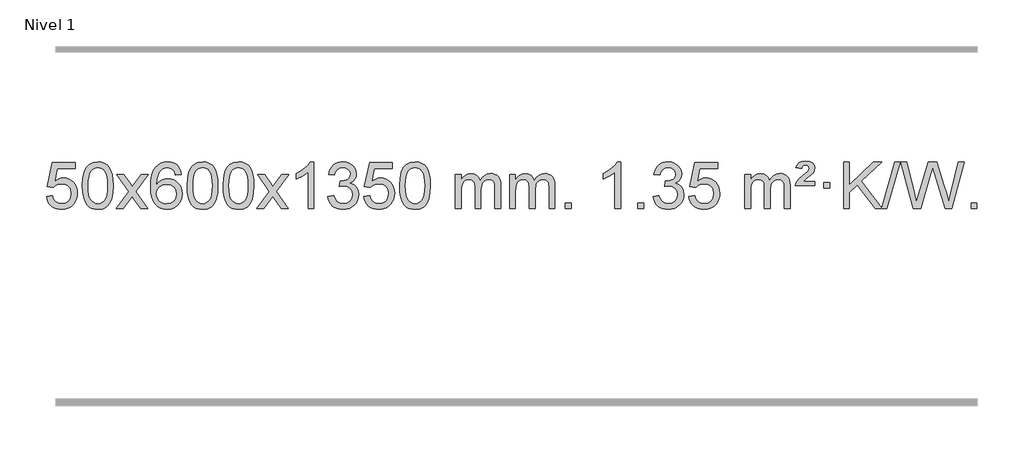
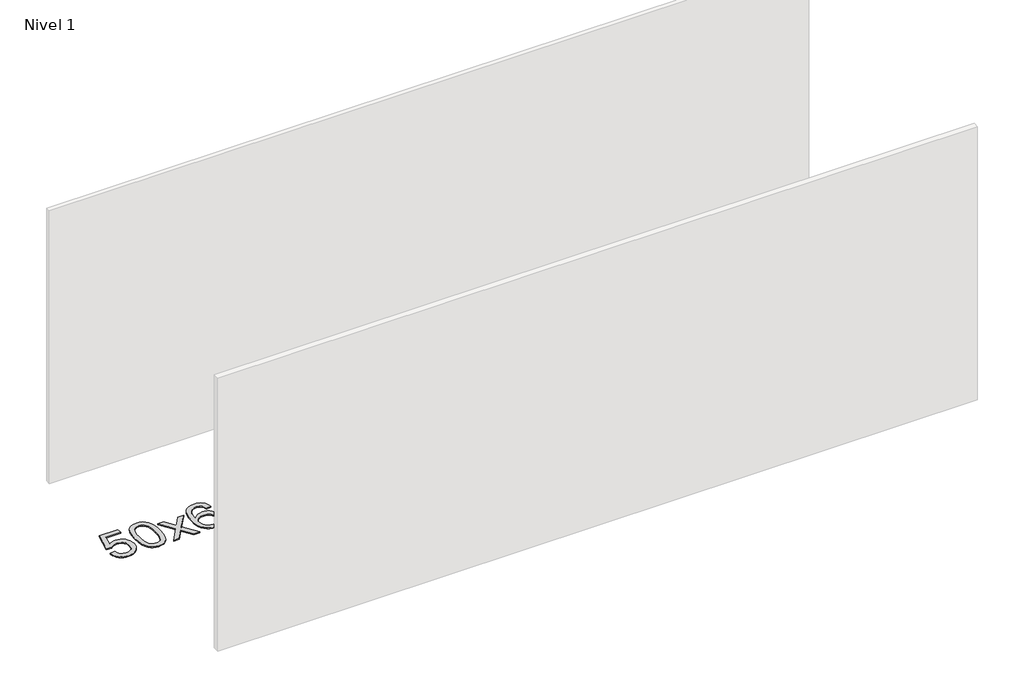
# One storey, part 19 of 21: 1 proxy.
"""IFC4 building model written with IfcOpenShell, lengths in millimetres."""

from ifc_helpers import new_model, si_unit, origin, origin_with_axes, place, context, project, spatial, polyline, outline, extrude, element, save

model = new_model("IFC4")

# Units and contexts
model_context = context("Model", 3, world=origin())
ifc_project = project(units=[si_unit("LENGTHUNIT", "METRE", prefix="MILLI")], contexts=[model_context])

# Site, building, storey
site = spatial("IfcSite", under=ifc_project)
building = spatial("IfcBuilding", under=site)
storey = spatial("IfcBuildingStorey", under=building, Name="Nivel 1", Elevation=0.0)

# Proxy
placement = place(None, origin())
element("IfcBuildingElementProxy", 1, Name="Texto de modelo 1", ObjectType="Texto de modelo 1", at=placement, inside=storey, context=model_context, shape_type="SweptSolid", body=[
    extrude(outline(polyline([(-309.9934354, -284.8446235), (-259.7652803, -278.5661041), (-250.543705, -308.7201649), (-234.454999, -330.3148381), (-211.5727389, -343.3010725), (-181.9705011, -347.6298173), (-162.8406373, -346.1245668), (-145.9671165, -341.6088153), (-131.3499385, -334.0825628), (-118.9891035, -323.5458094), (-109.1605228, -310.519721), (-102.1401081, -295.5254641), (-96.5237763, -259.6324441), (-101.7844888, -225.8363514), (-108.3603795, -211.9181493), (-117.5666264, -199.9865099), (-129.4338865, -190.4154467), (-143.9928164, -183.5789729), (-181.1856861, -178.1097939), (-205.5517369, -180.2925604), (-225.2824746, -186.8408599), (-241.0400868, -196.8717757), (-253.4867609, -209.5023908), (-303.714916, -203.2238715), (-259.7652803, 3.9672682), (-65.1311794, 3.9672682), (-65.1311794, -46.2608869), (-219.151108, -46.2608869), (-240.6354166, -156.919791), (-222.9096358, -144.2155994), (-204.7546593, -135.1411769), (-186.1704872, -129.6965234), (-167.1571194, -127.8816388), (-142.6960324, -130.1318504), (-120.2276395, -136.882485), (-99.7519408, -148.1335427), (-81.2689362, -163.8850234), (-65.9681109, -183.1743027), (-55.03895, -205.038756), (-48.4814534, -229.4783832), (-46.2956212, -256.4931844), (-48.2637899, -282.5147042), (-54.1682959, -306.7213394), (-64.0091393, -329.1130902), (-77.78632, -349.6899565), (-98.6574919, -370.7634634), (-123.01128, -385.8159684), (-150.8476843, -394.8474714), (-182.1667048, -397.8579724), (-208.087057, -395.9235262), (-231.4996803, -390.1201877), (-252.4045747, -380.447957), (-270.8017402, -366.9068338), (-286.1086968, -350.1712688), (-297.7429649, -330.915712), (-305.7045445, -309.1401636), (-309.9934354, -284.8446235)])), origin_with_axes(), (0.0, 0.0, 1.0), 10.0),
    extrude(outline(polyline([(-2.3459855, -193.9041943), (1.3450971, -129.5861588), (12.4183452, -78.2911459), (30.763394, -39.2343407), (42.621457, -24.0009605), (56.269879, -11.6309284), (71.7546453, -2.0598651), (89.1217412, 4.7766086), (129.5029215, 10.2457876), (160.4540601, 7.008426), (188.167837, -2.7036586), (211.3444027, -18.5103217), (228.6839074, -40.0314184), (241.7805065, -67.0830078), (252.2283551, -99.4811488), (259.0709602, -140.6226186), (261.3518286, -193.9041943), (257.6975341, -257.8543477), (246.7346507, -309.0267333), (228.4999664, -348.1203266), (216.6694946, -363.3996922), (203.0302696, -375.8341036), (187.5271092, -385.4695462), (170.1048311, -392.3520052), (129.5029215, -397.8579724), (101.8381955, -395.4667394), (77.3127291, -388.2930405), (55.9265225, -376.3368757), (37.6795755, -359.5982449), (20.1683926, -329.3399508), (7.6604047, -291.6381776), (0.155612, -246.4929255), (-2.3459855, -193.9041943)]), holes=[polyline([(47.8821695, -193.8060924), (49.3536975, -237.4706195), (53.7682815, -272.8148822), (61.1259214, -299.8388804), (71.4266172, -318.5426142), (83.8855541, -331.2682656), (97.7179171, -340.3580165), (112.9237063, -345.8118671), (129.5029215, -347.6298173), (146.0821368, -345.8057357), (161.2879259, -340.3334911), (175.1202889, -331.2130833), (187.5792258, -318.4445124), (197.8799217, -299.7101217), (205.2375616, -272.6922549), (209.6521455, -237.3909118), (211.1236735, -193.8060924), (209.7011965, -151.2973278), (205.4337653, -116.5753989), (198.3213801, -89.6403055), (188.3640408, -70.4920476), (176.1135703, -57.1440625), (162.1217918, -47.6097875), (146.3887051, -41.8892225), (128.9143103, -39.9823675), (112.4209342, -41.6623619), (97.4726625, -46.7023452), (84.0694951, -55.1023175), (72.2114321, -66.8622786), (61.5673797, -87.708925), (53.9644852, -115.8151094), (49.4027484, -151.1808319), (47.8821695, -193.8060924)])]), origin_with_axes(), (0.0, 0.0, 1.0), 10.0),
    extrude(outline(polyline([(286.4659061, -391.579453), (393.7893469, -243.2494325), (292.7444255, -96.4890419), (353.1751746, -96.4890419), (401.9318017, -167.122385), (424.6914345, -200.4770192), (444.4099094, -173.2047007), (499.9355652, -96.4890419), (560.3663143, -96.4890419), (454.2200959, -243.2494325), (556.4422397, -391.579453), (496.0114906, -391.579453), (434.501621, -302.4048574), (423.2199065, -286.1199477), (346.8966552, -391.579453), (286.4659061, -391.579453)])), origin_with_axes(), (0.0, 0.0, 1.0), 10.0),
    extrude(outline(polyline([(845.2541313, -96.4890419), (795.0259763, -102.7675613), (786.9325724, -77.874213), (775.9942144, -60.8780648), (753.2100561, -45.2062918), (725.6679574, -39.9823675), (702.3197135, -43.0235253), (680.3448956, -52.1469988), (661.4725493, -71.3627017), (646.0582937, -97.8134171), (635.6472332, -135.227016), (631.7844723, -187.3313693), (651.9321429, -163.8237098), (676.0774645, -147.2567573), (702.8715365, -137.434308), (730.9654582, -134.1601582), (755.0985171, -136.398107), (777.3676405, -143.1119534), (797.7728285, -154.3016975), (816.3140811, -169.9673391), (831.7222053, -189.1769106), (842.7280083, -210.9984443), (849.3314901, -235.4319401), (851.5326507, -262.4773982), (847.3878469, -298.4439945), (834.9534355, -331.786366), (815.259486, -360.0642287), (789.3360681, -380.8372987), (758.3604041, -393.602804), (723.5097164, -397.8579724), (693.5671877, -395.0375437), (666.5247954, -386.5762579), (642.3825394, -372.4741147), (621.1404199, -352.7311143), (603.822375, -326.5133908), (591.4523429, -292.9870783), (584.0303236, -252.1521768), (581.5563172, -204.0086864), (584.3031694, -150.0342663), (592.5437261, -103.9693092), (606.2779873, -65.8138149), (625.5059529, -35.5677835), (646.3464679, -15.5243462), (670.5101836, -1.2076052), (697.9971, 7.3824394), (728.8072171, 10.2457876), (751.9408633, 8.4738227), (772.8794802, 3.1579278), (791.6230678, -5.7018969), (808.1716262, -18.1056515), (822.0775656, -33.6364031), (832.8932963, -51.8772186), (840.6188182, -72.8280983), (845.2541313, -96.4890419)]), holes=[polyline([(631.7844723, -261.6925832), (634.69074, -283.9494439), (643.4095433, -305.2007605), (656.9476007, -323.472233), (674.3116309, -336.7895612), (695.2686419, -344.9197533), (719.5856418, -347.6298173), (752.7318096, -342.0134855), (766.646946, -334.9930708), (778.7901175, -325.1644901), (788.640158, -312.9262824), (795.6759011, -298.6769865), (801.3044957, -264.1451299), (795.7494775, -230.9989621), (788.8057049, -217.3781312), (779.0844231, -205.725469), (766.9044634, -196.3904634), (752.5846568, -189.7226022), (717.5255026, -184.3883133), (684.4283858, -189.7226022), (656.751397, -205.725469), (645.8283674, -217.2248471), (638.0262035, -230.3858254), (633.3449051, -245.2084042), (631.7844723, -261.6925832)])]), origin_with_axes(), (0.0, 0.0, 1.0), 10.0),
    extrude(outline(polyline([(895.4822864, -193.9041943), (899.1733691, -129.5861588), (910.2466172, -78.2911459), (928.591666, -39.2343407), (940.449729, -24.0009605), (954.098151, -11.6309284), (969.5829173, -2.0598651), (986.9500131, 4.7766086), (1027.3311935, 10.2457876), (1058.282332, 7.008426), (1085.996109, -2.7036586), (1109.1726747, -18.5103217), (1126.5121794, -40.0314184), (1139.6087784, -67.0830078), (1150.0566271, -99.4811488), (1156.8992322, -140.6226186), (1159.1801006, -193.9041943), (1155.5258061, -257.8543477), (1144.5629226, -309.0267333), (1126.3282384, -348.1203266), (1114.4977666, -363.3996922), (1100.8585416, -375.8341036), (1085.3553812, -385.4695462), (1067.933103, -392.3520052), (1027.3311935, -397.8579724), (999.6664674, -395.4667394), (975.1410011, -388.2930405), (953.7547945, -376.3368757), (935.5078475, -359.5982449), (917.9966645, -329.3399508), (905.4886767, -291.6381776), (897.983884, -246.4929255), (895.4822864, -193.9041943)]), holes=[polyline([(945.7104415, -193.8060924), (947.1819695, -237.4706195), (951.5965534, -272.8148822), (958.9541933, -299.8388804), (969.2548892, -318.5426142), (981.7138261, -331.2682656), (995.5461891, -340.3580165), (1010.7519782, -345.8118671), (1027.3311935, -347.6298173), (1043.9104087, -345.8057357), (1059.1161979, -340.3334911), (1072.9485609, -331.2130833), (1085.4074978, -318.4445124), (1095.7081937, -299.7101217), (1103.0658336, -272.6922549), (1107.4804175, -237.3909118), (1108.9519455, -193.8060924), (1107.5294684, -151.2973278), (1103.2620373, -116.5753989), (1096.1496521, -89.6403055), (1086.1923127, -70.4920476), (1073.9418423, -57.1440625), (1059.9500637, -47.6097875), (1044.2169771, -41.8892225), (1026.7425823, -39.9823675), (1010.2492062, -41.6623619), (995.3009344, -46.7023452), (981.8977671, -55.1023175), (970.0397041, -66.8622786), (959.3956517, -87.708925), (951.7927571, -115.8151094), (947.2310204, -151.1808319), (945.7104415, -193.8060924)])]), origin_with_axes(), (0.0, 0.0, 1.0), 10.0),
    extrude(outline(polyline([(1203.1297362, -193.9041943), (1206.8208189, -129.5861588), (1217.894067, -78.2911459), (1236.2391158, -39.2343407), (1248.0971788, -24.0009605), (1261.7456008, -11.6309284), (1277.2303671, -2.0598651), (1294.597463, 4.7766086), (1334.9786433, 10.2457876), (1365.9297818, 7.008426), (1393.6435588, -2.7036586), (1416.8201245, -18.5103217), (1434.1596292, -40.0314184), (1447.2562282, -67.0830078), (1457.7040769, -99.4811488), (1464.546682, -140.6226186), (1466.8275504, -193.9041943), (1463.1732559, -257.8543477), (1452.2103725, -309.0267333), (1433.9756882, -348.1203266), (1422.1452164, -363.3996922), (1408.5059914, -375.8341036), (1393.002831, -385.4695462), (1375.5805529, -392.3520052), (1334.9786433, -397.8579724), (1307.3139173, -395.4667394), (1282.7884509, -388.2930405), (1261.4022443, -376.3368757), (1243.1552973, -359.5982449), (1225.6441144, -329.3399508), (1213.1361265, -291.6381776), (1205.6313338, -246.4929255), (1203.1297362, -193.9041943)]), holes=[polyline([(1253.3578913, -193.8060924), (1254.8294193, -237.4706195), (1259.2440032, -272.8148822), (1266.6016432, -299.8388804), (1276.902339, -318.5426142), (1289.3612759, -331.2682656), (1303.1936389, -340.3580165), (1318.3994281, -345.8118671), (1334.9786433, -347.6298173), (1351.5578586, -345.8057357), (1366.7636477, -340.3334911), (1380.5960107, -331.2130833), (1393.0549476, -318.4445124), (1403.3556435, -299.7101217), (1410.7132834, -272.6922549), (1415.1278673, -237.3909118), (1416.5993953, -193.8060924), (1415.1769183, -151.2973278), (1410.9094871, -116.5753989), (1403.7971019, -89.6403055), (1393.8397625, -70.4920476), (1381.5892921, -57.1440625), (1367.5975136, -47.6097875), (1351.8644269, -41.8892225), (1334.3900321, -39.9823675), (1317.896656, -41.6623619), (1302.9483843, -46.7023452), (1289.5452169, -55.1023175), (1277.6871539, -66.8622786), (1267.0431015, -87.708925), (1259.440207, -115.8151094), (1254.8784702, -151.1808319), (1253.3578913, -193.8060924)])]), origin_with_axes(), (0.0, 0.0, 1.0), 10.0),
    extrude(outline(polyline([(1491.9416279, -391.579453), (1599.2650687, -243.2494325), (1498.2201473, -96.4890419), (1558.6508964, -96.4890419), (1607.4075235, -167.122385), (1630.1671563, -200.4770192), (1649.8856312, -173.2047007), (1705.411287, -96.4890419), (1765.8420361, -96.4890419), (1659.6958177, -243.2494325), (1761.9179615, -391.579453), (1701.4872124, -391.579453), (1639.9773428, -302.4048574), (1628.6956283, -286.1199477), (1552.372377, -391.579453), (1491.9416279, -391.579453)])), origin_with_axes(), (0.0, 0.0, 1.0), 10.0),
    extrude(outline(polyline([(1981.6661399, -391.579453), (1931.4379848, -391.579453), (1931.4379848, -78.4382987), (1910.4687111, -95.3976587), (1883.8585801, -112.3324932), (1830.9816747, -137.6918254), (1830.9816747, -90.2105225), (1870.4308873, -68.7507395), (1904.6071247, -43.219729), (1931.5483494, -16.0700378), (1949.2925243, 10.2457876), (1981.6661399, 10.2457876), (1981.6661399, -391.579453)])), origin_with_axes(), (0.0, 0.0, 1.0), 10.0),
    extrude(outline(polyline([(2100.9580082, -284.8446235), (2151.1861633, -278.5661041), (2162.4310896, -310.1303793), (2178.8999403, -331.4430095), (2201.4020556, -343.5831154), (2230.7467761, -347.6298173), (2265.1805309, -342.0625364), (2279.4543523, -335.1034354), (2291.7661364, -325.3606939), (2308.7622846, -300.4428201), (2314.4276673, -270.2274455), (2308.8113355, -241.5449126), (2291.9623401, -218.2825078), (2266.4558551, -202.8682522), (2234.8670545, -197.730167), (2199.6484848, -203.2238715), (2205.2402911, -152.9957164), (2213.2846441, -153.5843276), (2243.3773913, -149.979084), (2270.2818279, -139.1633534), (2281.3550759, -130.9841103), (2289.2645388, -120.8673555), (2294.0102165, -108.8130888), (2295.5921091, -94.8213102), (2291.0058469, -73.1285352), (2277.2470603, -55.5315131), (2256.2532611, -43.8696539), (2229.9619612, -39.9823675), (2203.6216103, -43.9064421), (2182.0882509, -55.6786659), (2166.367427, -75.299039), (2157.4646827, -102.7675613), (2107.2365276, -96.4890419), (2113.1900846, -72.5092672), (2122.0253838, -51.3867093), (2133.7424253, -33.1213683), (2148.3412092, -17.713244), (2165.3618828, -5.4811677), (2184.3445938, 3.2560297), (2205.289342, 8.4983481), (2228.1961276, 10.2457876), (2259.7726655, 6.7999596), (2288.7740295, -3.5375245), (2313.2259194, -19.8469596), (2331.1540353, -41.2086408), (2342.153707, -65.8199463), (2345.8202642, -91.8782543), (2342.337648, -116.1584659), (2331.8897993, -138.1823347), (2314.623871, -156.9443165), (2290.6870159, -171.4388671), (2322.1286637, -184.1430586), (2345.4278567, -205.77452), (2359.848831, -235.1560286), (2364.6558224, -271.1103623), (2362.2523267, -296.5923218), (2355.0418395, -320.0631931), (2343.024361, -341.5229762), (2326.1998911, -360.971671), (2305.7027326, -377.1094278), (2282.6671884, -388.636397), (2257.0932583, -395.5525785), (2228.9809425, -397.8579724), (2203.5725594, -395.8898037), (2180.4205192, -389.9852977), (2159.5248218, -380.1444543), (2140.8854674, -366.3672736), (2125.256614, -349.4630959), (2113.3924196, -330.2412617), (2105.2928844, -308.7017708), (2100.9580082, -284.8446235)])), origin_with_axes(), (0.0, 0.0, 1.0), 10.0),
    extrude(outline(polyline([(2408.605458, -284.8446235), (2458.8336131, -278.5661041), (2468.0551885, -308.7201649), (2484.1438944, -330.3148381), (2507.0261545, -343.3010725), (2536.6283924, -347.6298173), (2555.7582561, -346.1245668), (2572.631777, -341.6088153), (2587.2489549, -334.0825628), (2599.6097899, -323.5458094), (2609.4383706, -310.519721), (2616.4587853, -295.5254641), (2622.0751171, -259.6324441), (2616.8144046, -225.8363514), (2610.2385139, -211.9181493), (2601.032267, -199.9865099), (2589.165007, -190.4154467), (2574.606077, -183.5789729), (2537.4132073, -178.1097939), (2513.0471565, -180.2925604), (2493.3164188, -186.8408599), (2477.5588067, -196.8717757), (2465.1121325, -209.5023908), (2414.8839774, -203.2238715), (2458.8336131, 3.9672682), (2653.467714, 3.9672682), (2653.467714, -46.2608869), (2499.4477854, -46.2608869), (2477.9634769, -156.919791), (2495.6892577, -144.2155994), (2513.8442341, -135.1411769), (2532.4284063, -129.6965234), (2551.441774, -127.8816388), (2575.902861, -130.1318504), (2598.3712539, -136.882485), (2618.8469526, -148.1335427), (2637.3299572, -163.8850234), (2652.6307825, -183.1743027), (2663.5599434, -205.038756), (2670.11744, -229.4783832), (2672.3032722, -256.4931844), (2670.3351035, -282.5147042), (2664.4305975, -306.7213394), (2654.5897541, -329.1130902), (2640.8125734, -349.6899565), (2619.9414015, -370.7634634), (2595.5876135, -385.8159684), (2567.7512092, -394.8474714), (2536.4321886, -397.8579724), (2510.5118364, -395.9235262), (2487.0992131, -390.1201877), (2466.1943187, -380.447957), (2447.7971533, -366.9068338), (2432.4901966, -350.1712688), (2420.8559285, -330.915712), (2412.894349, -309.1401636), (2408.605458, -284.8446235)])), origin_with_axes(), (0.0, 0.0, 1.0), 10.0),
    extrude(outline(polyline([(2716.2529079, -193.9041943), (2719.9439906, -129.5861588), (2731.0172386, -78.2911459), (2749.3622874, -39.2343407), (2761.2203504, -24.0009605), (2774.8687724, -11.6309284), (2790.3535388, -2.0598651), (2807.7206346, 4.7766086), (2848.1018149, 10.2457876), (2879.0529535, 7.008426), (2906.7667304, -2.7036586), (2929.9432961, -18.5103217), (2947.2828008, -40.0314184), (2960.3793999, -67.0830078), (2970.8272485, -99.4811488), (2977.6698537, -140.6226186), (2979.950722, -193.9041943), (2976.2964275, -257.8543477), (2965.3335441, -309.0267333), (2947.0988599, -348.1203266), (2935.268388, -363.3996922), (2921.6291631, -375.8341036), (2906.1260026, -385.4695462), (2888.7037245, -392.3520052), (2848.1018149, -397.8579724), (2820.4370889, -395.4667394), (2795.9116226, -388.2930405), (2774.5254159, -376.3368757), (2756.278469, -359.5982449), (2738.767286, -329.3399508), (2726.2592981, -291.6381776), (2718.7545054, -246.4929255), (2716.2529079, -193.9041943)]), holes=[polyline([(2766.481063, -193.8060924), (2767.9525909, -237.4706195), (2772.3671749, -272.8148822), (2779.7248148, -299.8388804), (2790.0255106, -318.5426142), (2802.4844475, -331.2682656), (2816.3168106, -340.3580165), (2831.5225997, -345.8118671), (2848.1018149, -347.6298173), (2864.6810302, -345.8057357), (2879.8868193, -340.3334911), (2893.7191824, -331.2130833), (2906.1781193, -318.4445124), (2916.4788151, -299.7101217), (2923.836455, -272.6922549), (2928.251039, -237.3909118), (2929.7225669, -193.8060924), (2928.3000899, -151.2973278), (2924.0326588, -116.5753989), (2916.9202735, -89.6403055), (2906.9629342, -70.4920476), (2894.7124637, -57.1440625), (2880.7206852, -47.6097875), (2864.9875985, -41.8892225), (2847.5132038, -39.9823675), (2831.0198276, -41.6623619), (2816.0715559, -46.7023452), (2802.6683885, -55.1023175), (2790.8103256, -66.8622786), (2780.1662732, -87.708925), (2772.5633786, -115.8151094), (2768.0016419, -151.1808319), (2766.481063, -193.8060924)])]), origin_with_axes(), (0.0, 0.0, 1.0), 10.0),
    extrude(outline(polyline([(3193.4203811, -391.579453), (3193.4203811, -96.4890419), (3243.6485362, -96.4890419), (3243.6485362, -145.0494653), (3258.7562234, -122.7435537), (3278.1803928, -105.2691589), (3301.2588566, -93.9751816), (3327.3294273, -90.2105225), (3355.2639335, -94.048758), (3377.6556843, -105.5634645), (3394.3820523, -123.9943524), (3405.3204103, -148.5811324), (3423.6286709, -123.0439906), (3444.5121055, -104.803175), (3467.9707141, -93.8586857), (3494.0044966, -90.2105225), (3514.1123133, -91.7280358), (3531.7614521, -96.2805755), (3546.9519128, -103.8681416), (3559.6836955, -114.4907342), (3569.7483337, -128.2709806), (3576.9373611, -145.3315082), (3581.2507775, -165.6723168), (3582.6885829, -189.2934066), (3582.6885829, -391.579453), (3532.4604278, -391.579453), (3532.4604278, -210.875817), (3531.2954682, -185.8230531), (3527.8005892, -168.9372695), (3521.2522897, -157.3735121), (3510.9270684, -148.2868268), (3497.6465284, -142.4007149), (3482.2322728, -140.4386776), (3455.0212679, -145.4663982), (3432.8379835, -160.54956), (3424.2326105, -172.1194488), (3418.0859155, -186.7182326), (3413.1685595, -225.0024856), (3413.1685595, -391.579453), (3362.9404045, -391.579453), (3362.9404045, -205.2840106), (3360.0341367, -176.8835206), (3351.3153334, -156.6254854), (3335.9746542, -144.4853796), (3313.2027587, -140.4386776), (3293.8521658, -143.1364789), (3276.0221517, -151.2298828), (3261.3068719, -164.5226856), (3251.3004817, -182.8186835), (3245.5615225, -208.2025411), (3243.6485362, -242.7589232), (3243.6485362, -391.579453), (3193.4203811, -391.579453)])), origin_with_axes(), (0.0, 0.0, 1.0), 10.0),
    extrude(outline(polyline([(3658.0308155, -391.579453), (3658.0308155, -96.4890419), (3708.2589706, -96.4890419), (3708.2589706, -145.0494653), (3723.3666579, -122.7435537), (3742.7908272, -105.2691589), (3765.869291, -93.9751816), (3791.9398618, -90.2105225), (3819.8743679, -94.048758), (3842.2661187, -105.5634645), (3858.9924868, -123.9943524), (3869.9308448, -148.5811324), (3888.2391054, -123.0439906), (3909.12254, -104.803175), (3932.5811485, -93.8586857), (3958.6149311, -90.2105225), (3978.7227478, -91.7280358), (3996.3718865, -96.2805755), (4011.5623472, -103.8681416), (4024.2941299, -114.4907342), (4034.3587682, -128.2709806), (4041.5477955, -145.3315082), (4045.8612119, -165.6723168), (4047.2990174, -189.2934066), (4047.2990174, -391.579453), (3997.0708623, -391.579453), (3997.0708623, -210.875817), (3995.9059026, -185.8230531), (3992.4110237, -168.9372695), (3985.8627242, -157.3735121), (3975.5375028, -148.2868268), (3962.2569628, -142.4007149), (3946.8427072, -140.4386776), (3919.6317023, -145.4663982), (3897.448418, -160.54956), (3888.843045, -172.1194488), (3882.69635, -186.7182326), (3877.778994, -225.0024856), (3877.778994, -391.579453), (3827.5508389, -391.579453), (3827.5508389, -205.2840106), (3824.6445711, -176.8835206), (3815.9257679, -156.6254854), (3800.5850887, -144.4853796), (3777.8131932, -140.4386776), (3758.4626002, -143.1364789), (3740.6325862, -151.2298828), (3725.9173064, -164.5226856), (3715.9109161, -182.8186835), (3710.171957, -208.2025411), (3708.2589706, -242.7589232), (3708.2589706, -391.579453), (3658.0308155, -391.579453)])), origin_with_axes(), (0.0, 0.0, 1.0), 10.0),
    extrude(outline(polyline([(4135.1982887, -391.579453), (4135.1982887, -341.3512979), (4185.4264438, -341.3512979), (4185.4264438, -391.579453), (4135.1982887, -391.579453)])), origin_with_axes(), (0.0, 0.0, 1.0), 10.0),
    extrude(outline(polyline([(4612.365762, -391.579453), (4562.1376069, -391.579453), (4562.1376069, -78.4382987), (4541.1683332, -95.3976587), (4514.5582022, -112.3324932), (4461.6812967, -137.6918254), (4461.6812967, -90.2105225), (4501.1305093, -68.7507395), (4535.3067467, -43.219729), (4562.2479715, -16.0700378), (4579.9921464, 10.2457876), (4612.365762, 10.2457876), (4612.365762, -391.579453)])), origin_with_axes(), (0.0, 0.0, 1.0), 10.0),
    extrude(outline(polyline([(4756.7717078, -391.579453), (4756.7717078, -341.3512979), (4806.9998629, -341.3512979), (4806.9998629, -391.579453), (4756.7717078, -391.579453)])), origin_with_axes(), (0.0, 0.0, 1.0), 10.0),
    extrude(outline(polyline([(4888.6206149, -284.8446235), (4938.8487699, -278.5661041), (4950.0936963, -310.1303793), (4966.5625469, -331.4430095), (4989.0646623, -343.5831154), (5018.4093828, -347.6298173), (5052.8431375, -342.0625364), (5067.1169589, -335.1034354), (5079.428743, -325.3606939), (5096.4248912, -300.4428201), (5102.0902739, -270.2274455), (5096.4739421, -241.5449126), (5079.6249468, -218.2825078), (5054.1184618, -202.8682522), (5022.5296611, -197.730167), (4987.3110914, -203.2238715), (4992.9028978, -152.9957164), (5000.9472507, -153.5843276), (5031.0399979, -149.979084), (5057.9444345, -139.1633534), (5069.0176826, -130.9841103), (5076.9271455, -120.8673555), (5081.6728232, -108.8130888), (5083.2547158, -94.8213102), (5078.6684536, -73.1285352), (5064.909667, -55.5315131), (5043.9158678, -43.8696539), (5017.6245678, -39.9823675), (4991.284217, -43.9064421), (4969.7508575, -55.6786659), (4954.0300336, -75.299039), (4945.1272893, -102.7675613), (4894.8991342, -96.4890419), (4900.8526912, -72.5092672), (4909.6879905, -51.3867093), (4921.405032, -33.1213683), (4936.0038158, -17.713244), (4953.0244895, -5.4811677), (4972.0072004, 3.2560297), (4992.9519487, 8.4983481), (5015.8587343, 10.2457876), (5047.4352722, 6.7999596), (5076.4366361, -3.5375245), (5100.8885261, -19.8469596), (5118.816642, -41.2086408), (5129.8163136, -65.8199463), (5133.4828709, -91.8782543), (5130.0002546, -116.1584659), (5119.552406, -138.1823347), (5102.2864777, -156.9443165), (5078.3496225, -171.4388671), (5109.7912704, -184.1430586), (5133.0904634, -205.77452), (5147.5114376, -235.1560286), (5152.318429, -271.1103623), (5149.9149333, -296.5923218), (5142.7044462, -320.0631931), (5130.6869677, -341.5229762), (5113.8624978, -360.971671), (5093.3653393, -377.1094278), (5070.329795, -388.636397), (5044.755865, -395.5525785), (5016.6435492, -397.8579724), (4991.2351661, -395.8898037), (4968.0831258, -389.9852977), (4947.1874285, -380.1444543), (4928.5480741, -366.3672736), (4912.9192206, -349.4630959), (4901.0550263, -330.2412617), (4892.955491, -308.7017708), (4888.6206149, -284.8446235)])), origin_with_axes(), (0.0, 0.0, 1.0), 10.0),
    extrude(outline(polyline([(5196.2680647, -284.8446235), (5246.4962198, -278.5661041), (5255.7177951, -308.7201649), (5271.806501, -330.3148381), (5294.6887611, -343.3010725), (5324.290999, -347.6298173), (5343.4208628, -346.1245668), (5360.2943836, -341.6088153), (5374.9115616, -334.0825628), (5387.2723966, -323.5458094), (5397.1009772, -310.519721), (5404.121392, -295.5254641), (5409.7377238, -259.6324441), (5404.4770112, -225.8363514), (5397.9011206, -211.9181493), (5388.6948736, -199.9865099), (5376.8276136, -190.4154467), (5362.2686837, -183.5789729), (5325.0758139, -178.1097939), (5300.7097631, -180.2925604), (5280.9790255, -186.8408599), (5265.2214133, -196.8717757), (5252.7747392, -209.5023908), (5202.5465841, -203.2238715), (5246.4962198, 3.9672682), (5441.1303207, 3.9672682), (5441.1303207, -46.2608869), (5287.110392, -46.2608869), (5265.6260835, -156.919791), (5283.3518643, -144.2155994), (5301.5068408, -135.1411769), (5320.0910129, -129.6965234), (5339.1043807, -127.8816388), (5363.5654677, -130.1318504), (5386.0338605, -136.882485), (5406.5095593, -148.1335427), (5424.9925638, -163.8850234), (5440.2933891, -183.1743027), (5451.2225501, -205.038756), (5457.7800467, -229.4783832), (5459.9658788, -256.4931844), (5457.9977102, -282.5147042), (5452.0932041, -306.7213394), (5442.2523608, -329.1130902), (5428.4751801, -349.6899565), (5407.6040082, -370.7634634), (5383.2502201, -385.8159684), (5355.4138158, -394.8474714), (5324.0947953, -397.8579724), (5298.174443, -395.9235262), (5274.7618197, -390.1201877), (5253.8569254, -380.447957), (5235.4597599, -366.9068338), (5220.1528032, -350.1712688), (5208.5185351, -330.915712), (5200.5569556, -309.1401636), (5196.2680647, -284.8446235)])), origin_with_axes(), (0.0, 0.0, 1.0), 10.0),
    extrude(outline(polyline([(5673.4355379, -391.579453), (5673.4355379, -96.4890419), (5723.663693, -96.4890419), (5723.663693, -145.0494653), (5738.7713803, -122.7435537), (5758.1955496, -105.2691589), (5781.2740134, -93.9751816), (5807.3445842, -90.2105225), (5835.2790903, -94.048758), (5857.6708411, -105.5634645), (5874.3972091, -123.9943524), (5885.3355671, -148.5811324), (5903.6438278, -123.0439906), (5924.5272623, -104.803175), (5947.9858709, -93.8586857), (5974.0196534, -90.2105225), (5994.1274702, -91.7280358), (6011.7766089, -96.2805755), (6026.9670696, -103.8681416), (6039.6988523, -114.4907342), (6049.7634906, -128.2709806), (6056.9525179, -145.3315082), (6061.2659343, -165.6723168), (6062.7037397, -189.2934066), (6062.7037397, -391.579453), (6012.4755847, -391.579453), (6012.4755847, -210.875817), (6011.310625, -185.8230531), (6007.8157461, -168.9372695), (6001.2674465, -157.3735121), (5990.9422252, -148.2868268), (5977.6616852, -142.4007149), (5962.2474296, -140.4386776), (5935.0364247, -145.4663982), (5912.8531404, -160.54956), (5904.2477674, -172.1194488), (5898.1010724, -186.7182326), (5893.1837164, -225.0024856), (5893.1837164, -391.579453), (5842.9555613, -391.579453), (5842.9555613, -205.2840106), (5840.0492935, -176.8835206), (5831.3304902, -156.6254854), (5815.989811, -144.4853796), (5793.2179155, -140.4386776), (5773.8673226, -143.1364789), (5756.0373086, -151.2298828), (5741.3220287, -164.5226856), (5731.3156385, -182.8186835), (5725.5766794, -208.2025411), (5723.663693, -242.7589232), (5723.663693, -391.579453), (5673.4355379, -391.579453)])), origin_with_axes(), (0.0, 0.0, 1.0), 10.0),
    extrude(outline(polyline([(6106.6533754, -190.6668327), (6110.4793482, -174.8479069), (6118.8180067, -158.9799302), (6140.3268407, -133.8413272), (6172.2835234, -106.1030247), (6216.4293628, -68.726214), (6223.5662735, -57.1992448), (6225.9452437, -45.3779701), (6224.0567828, -33.2869152), (6218.3914001, -23.5012541), (6209.022672, -17.026531), (6196.0241748, -14.8682899), (6183.5897634, -16.4869707), (6174.73607, -21.343013), (6168.3103978, -30.8098431), (6163.1600499, -46.2608869), (6112.9318948, -39.9823675), (6123.7721509, -14.7701881), (6140.4004171, 2.7900458), (6164.165594, 13.0907417), (6196.4165822, 16.524307), (6232.1992376, 12.3917659), (6256.9454332, -0.0058573), (6271.3664074, -18.3386434), (6276.1733988, -40.2766731), (6272.0776459, -63.1834586), (6259.7903873, -84.8149199), (6239.262572, -104.6314968), (6202.7932035, -132.6886303), (6177.1886166, -159.2742358), (6276.1733988, -159.2742358), (6276.1733988, -190.6668327), (6106.6533754, -190.6668327)])), origin_with_axes(), (0.0, 0.0, 1.0), 10.0),
    extrude(outline(polyline([(6351.5156314, -215.7809102), (6351.5156314, -165.5527552), (6401.7437865, -165.5527552), (6401.7437865, -215.7809102), (6351.5156314, -215.7809102)])), origin_with_axes(), (0.0, 0.0, 1.0), 10.0),
    extrude(outline(polyline([(6792.3854144, -391.579453), (6638.954097, -188.9009991), (6571.2638099, -253.4520265), (6571.2638099, -391.579453), (6521.0356548, -391.579453), (6521.0356548, 10.2457876), (6571.2638099, 10.2457876), (6571.2638099, -186.4484525), (6777.2777272, 10.2457876), (6847.5186628, 10.2457876), (6674.5650741, -154.9577537), (6849.218684, -385.5349332), (6960.5320117, 10.2457876), (7005.8550735, 10.2457876), (6892.8417246, -391.579453), (6853.7971822, -391.579453), (6847.5186628, -391.579453), (6792.3854144, -391.579453)])), origin_with_axes(), (0.0, 0.0, 1.0), 10.0),
    extrude(outline(polyline([(7120.3399504, -391.579453), (7010.7601668, 10.2457876), (7062.5579517, 10.2457876), (7126.1279605, -253.844434), (7145.7483335, -335.3670841), (7166.7421327, -263.2622131), (7246.4008474, 10.2457876), (7321.056367, 10.2457876), (7378.9364675, -188.0180823), (7403.731714, -261.5944814), (7422.0031864, -335.3670841), (7441.0349483, -256.1988788), (7505.1935683, 10.2457876), (7556.9913532, 10.2457876), (7447.3134677, -391.579453), (7393.6517474, -391.579453), (7297.3157155, -81.5775584), (7283.87576, -38.3146358), (7268.7680727, -90.4067263), (7180.9669032, -391.579453), (7120.3399504, -391.579453)])), origin_with_axes(), (0.0, 0.0, 1.0), 10.0),
    extrude(outline(polyline([(7613.4980277, -391.579453), (7613.4980277, -341.3512979), (7663.7261827, -341.3512979), (7663.7261827, -391.579453), (7613.4980277, -391.579453)])), origin_with_axes(), (0.0, 0.0, 1.0), 10.0),
])

save(model, "model.ifc")
